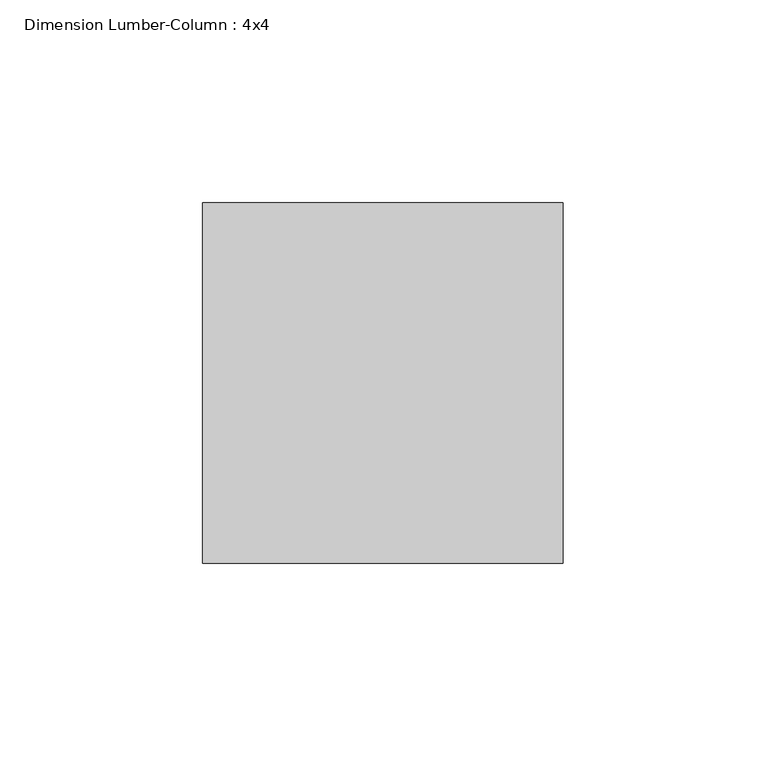
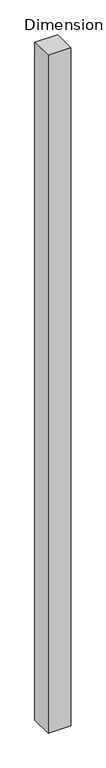
"""IFC4 building model written with IfcOpenShell, lengths in millimetres: column geometry, Dimension Lumber-Column : 4x4."""

from ifc_helpers import new_model, si_unit, origin, origin_with_axes, place, context, project, spatial, polyline, outline, extrude, source, transform, mapped, element, save


def dimension_lumber_column_4x4_0401b9dd(model_context):
    return source(origin(), model_context, "Body", "SweptSolid", [
        extrude(outline(polyline([(44.45, 44.45), (44.45, -44.45), (-44.45, -44.45), (-44.45, 44.45), (44.45, 44.45)])), origin_with_axes(), (0.0, 0.0, 1.0), 2806.7),
    ])


if __name__ == "__main__":
    model = new_model("IFC4")
    model_context = context("Model", 3, world=origin())
    ifc_project = project(units=[si_unit("LENGTHUNIT", "METRE", prefix="MILLI")], contexts=[model_context])
    site = spatial("IfcSite", under=ifc_project)
    building = spatial("IfcBuilding", under=site)
    placement = place(None, origin())
    dimension_lumber_column_4x4_shape = dimension_lumber_column_4x4_0401b9dd(model_context)
    element("IfcColumn", 1, ObjectType="Dimension Lumber-Column : 4x4", at=placement, inside=building, context=model_context, shape_type="MappedRepresentation", body=[
        mapped(dimension_lumber_column_4x4_shape, transform((0.0, 0.0, 0.0), x_axis=(1.0, 0.0, 0.0), y_axis=(0.0, 1.0, 0.0), z_axis=(0.0, 0.0, 1.0))),
    ])
    save(model, "model.ifc")
